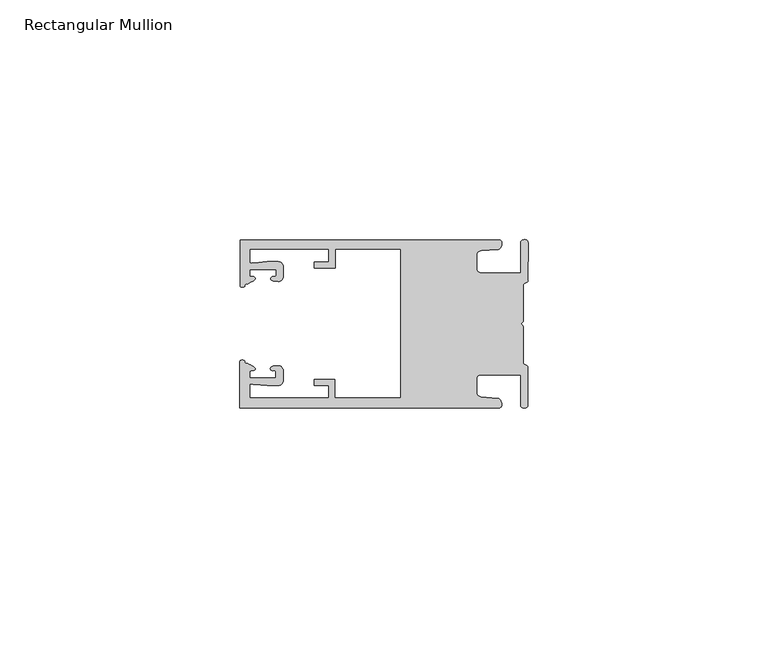
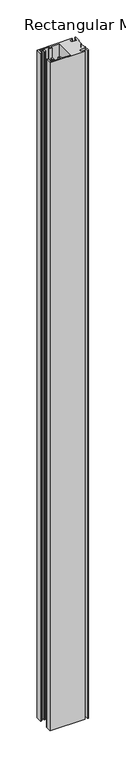
"""IFC4 building model written with IfcOpenShell, lengths in millimetres: member geometry, Rectangular Mullion."""

from ifc_helpers import new_model, si_unit, frame, origin, place, context, project, spatial, circle_curve, source, transform, mapped, element, save
from ifc_brep_helpers import plane_surface, cylinder_surface, extruded_surface, spline_curve, advanced_brep


def rectangular_mullion_0c829292(model_context):
    return source(origin(), model_context, "Body", "AdvancedBrep", [
        advanced_brep(
        [(-60.0749377, 17.5111528, 0.0), (-60.0749377, 8.0140787, 0.0), (-59.3252567, 7.7187455, 0.0), (-58.4967974, 8.36785, 0.0), (-58.0726619, 10.1173923, 0.0), (-58.0713101, 11.3673916, 0.0), (-52.5713133, 11.3614437, 0.0), (-52.5726651, 10.1114444, 0.0), (-53.1427626, 8.8955539, 0.0), (-52.0740172, 8.8609044, 0.0), (-51.0729364, 9.8598224, 0.0), (-51.0706653, 11.9598211, 0.0), (-52.0700692, 12.9609024, 0.0), (-54.3905105, 12.9622843, 0.0), (-57.1599646, 12.7230061, 0.0), (-58.0696339, 12.9173907, 0.0), (-58.066768, 15.5673891, 0.0), (-41.5667584, 15.5673891, 0.0), (-41.5695894, 12.9495468, 0.0), (-44.5695877, 12.9527912, 0.0), (-44.5709936, 11.6527919, 0.0), (-40.2709961, 11.6481417, 0.0), (-40.2667576, 15.5673891, 0.0), (-26.6002952, 15.5673891, 0.0), (-26.6002952, -15.4518424, 0.0), (-40.3003032, -15.4518424, 0.0), (-40.2960856, -11.5518447, 0.0), (-44.5960831, -11.5471945, 0.0), (-44.597489, -12.8471938, 0.0), (-41.5974907, -12.8504381, 0.0), (-41.6003025, -15.4504366, 0.0), (-58.1002928, -15.4325927, 0.0), (-58.097427, -12.7825943, 0.0), (-57.1873395, -12.5901776, 0.0), (-54.4184094, -12.8354453, 0.0), (-52.0979705, -12.8390822, 0.0), (-51.0964037, -11.8401649, 0.0), (-51.0941327, -9.7401662, 0.0), (-52.0930507, -8.7390853, 0.0), (-53.1618685, -8.7714231, 0.0), (-52.5944022, -9.9885439, 0.0), (-52.595754, -11.2385431, 0.0), (-58.0957508, -11.2325952, 0.0), (-58.094399, -9.9825959, 0.0), (-58.5147494, -8.2321403, 0.0), (-59.3418028, -7.5812455, 0.0), (-60.0921208, -7.8749565, 0.0), (-60.0921208, -17.4888267, 0.0), (-6.1024861, -17.4888267, 0.0), (-6.5218639, -15.488372, 0.0), (-9.8784944, -15.2205466, 0.0), (-10.7989567, -14.2226333, 0.0), (-10.7961029, -11.5837474, 0.0), (-9.8734844, -10.5878272, 0.0), (-1.5950266, -10.5934991, 0.0), (-1.601948, -16.9936935, 0.0), (-0.1017194, -16.7830581, 0.0), (-0.0933208, -9.0170082, 0.0), (-1.0923837, -8.1499018, 0.0), (-1.0842165, -0.5977972, 0.0), (-1.0829111, 0.6093089, 0.0), (-1.0747439, 8.1614135, 0.0), (-0.0738079, 9.026357, 0.0), (-0.0654093, 16.7924069, 0.0), (-1.5651789, 17.0062866, 0.0), (-1.5651789, 10.6183257, 0.0), (-9.8505511, 10.6183257, 0.0), (-10.7710133, 11.6162391, 0.0), (-10.7681595, 14.255125, 0.0), (-9.845541, 15.2510452, 0.0), (-6.4883391, 15.5116099, 0.0), (-6.0646356, 17.5111528, 0.0), (-60.0749377, 17.5111528, -1095.8940002), (-6.0646356, 17.5111528, -1095.8940002), (-6.4883391, 15.5116099, -1095.8940002), (-9.845541, 15.2510452, -1095.8940002), (-10.7681595, 14.255125, -1095.8940002), (-10.7710133, 11.6162391, -1095.8940002), (-9.8505511, 10.6183257, -1095.8940002), (-1.5651789, 10.6183257, -1095.8940002), (-1.5651789, 17.0062866, -1095.8940002), (-0.0654093, 16.7924069, -1095.8940002), (-0.0738079, 9.026357, -1095.8940002), (-1.0747439, 8.1614135, -1095.8940002), (-1.0829111, 0.6093089, -1095.8940002), (-1.0842165, -0.5977972, -1095.8940002), (-1.0923837, -8.1499018, -1095.8940002), (-0.0933208, -9.0170082, -1095.8940002), (-0.1017194, -16.7830581, -1095.8940002), (-1.601948, -16.9936935, -1095.8940002), (-1.5950266, -10.5934991, -1095.8940002), (-9.8734844, -10.5878272, -1095.8940002), (-10.7961029, -11.5837474, -1095.8940002), (-10.7989567, -14.2226333, -1095.8940002), (-9.8784944, -15.2205466, -1095.8940002), (-6.5218639, -15.488372, -1095.8940002), (-6.1024861, -17.4888267, -1095.8940002), (-60.0921208, -17.4888267, -1095.8940002), (-60.0921208, -7.8749565, -1095.8940002), (-59.3418028, -7.5812455, -1095.8940002), (-58.5147494, -8.2321403, -1095.8940002), (-58.094399, -9.9825959, -1095.8940002), (-58.0957508, -11.2325952, -1095.8940002), (-52.595754, -11.2385431, -1095.8940002), (-52.5944022, -9.9885439, -1095.8940002), (-53.1618685, -8.7714231, -1095.8940002), (-52.0930507, -8.7390853, -1095.8940002), (-51.0941327, -9.7401662, -1095.8940002), (-51.0964037, -11.8401649, -1095.8940002), (-52.0979705, -12.8390823, -1095.8940002), (-54.4184094, -12.8354453, -1095.8940002), (-57.1873395, -12.5901776, -1095.8940002), (-58.097427, -12.7825943, -1095.8940002), (-58.1002928, -15.4325927, -1095.8940002), (-41.6003025, -15.4504366, -1095.8940002), (-41.5974907, -12.8504381, -1095.8940002), (-44.597489, -12.8471938, -1095.8940002), (-44.5960831, -11.5471945, -1095.8940002), (-40.2960856, -11.5518447, -1095.8940002), (-40.3003032, -15.4518424, -1095.8940002), (-26.6002952, -15.4518424, -1095.8940002), (-26.6002952, 15.5673891, -1095.8940002), (-40.2667576, 15.5673891, -1095.8940002), (-40.2709961, 11.6481417, -1095.8940002), (-44.5709936, 11.6527919, -1095.8940002), (-44.5695877, 12.9527912, -1095.8940002), (-41.5695894, 12.9495468, -1095.8940002), (-41.5667584, 15.5673891, -1095.8940002), (-58.066768, 15.5673891, -1095.8940002), (-58.0696339, 12.9173907, -1095.8940002), (-57.1599646, 12.7230061, -1095.8940002), (-54.3905105, 12.9622843, -1095.8940002), (-52.0700692, 12.9609023, -1095.8940002), (-51.0706653, 11.9598211, -1095.8940002), (-51.0729364, 9.8598224, -1095.8940002), (-52.0740172, 8.8609044, -1095.8940002), (-53.1427626, 8.8955539, -1095.8940002), (-52.5726651, 10.1114444, -1095.8940002), (-52.5713133, 11.3614437, -1095.8940002), (-58.0713101, 11.3673916, -1095.8940002), (-58.0726619, 10.1173923, -1095.8940002), (-58.4967974, 8.36785, -1095.8940002), (-59.3252567, 7.7187455, -1095.8940002), (-60.0749377, 8.0140787, -1095.8940002)],
        [
            (0, 1),
            (1, 2, spline_curve(3, [(-60.0749377, 8.0140787, 0.0), (-60.075233123, 7.740904774, 0.0), (-59.825339491, 7.642460332, 0.0), (-59.3252567, 7.7187455, 0.0)], [4, 4], [0.0, 0.0019169337574178654])),
            (2, 3, spline_curve(3, [(-59.3252567, 7.7187455, 0.0), (-59.094460914, 7.75918372, 0.0), (-59.054835463, 7.902257199, 0.0), (-59.05559987, 8.233305614, 0.0), (-59.138729113, 8.4134359, 0.0), (-58.4967974, 8.36785, 0.0)], [4, 2, 4], [0.0, 0.0010199524164107188, 0.0024874514725970356])),
            (3, 4, spline_curve(3, [(-58.4967974, 8.36785, 0.0), (-57.022393378, 9.053435667, 0.0), (-56.827266887, 9.364828726, 0.0), (-56.982213078, 9.742623404, 0.0), (-57.177375211, 9.855581791, 0.0), (-57.697928101, 9.887955071, 0.0), (-57.997449153, 9.835475348, 0.0), (-58.0726619, 10.1173923, 0.0)], [4, 2, 2, 4], [0.0, 0.003269869179570428, 0.005490050486237203, 0.0073545767114364426])),
            (4, 5),
            (5, 6),
            (6, 7),
            (7, 8, spline_curve(3, [(-52.5726651, 10.1114444, 0.0), (-52.667195519, 9.760172042, 0.0), (-52.937094388, 9.861877724, 0.0), (-53.356237032, 9.895631753, 0.0), (-53.491940439, 9.811038713, 0.0), (-53.761900775, 9.511438033, 0.0), (-53.892893546, 9.278787104, 0.0), (-53.1427626, 8.8955539, 0.0)], [4, 2, 2, 4], [0.0, 0.001593963049934732, 0.0033360256320283306, 0.005339140673503943])),
            (8, 9),
            (9, 10, circle_curve(frame((-52.0729358, 9.8609038, 0.0), z_axis=(0.0, 0.0, 1.0), x_axis=(-0.0010814451158600304, -0.9999994152380598, 0.0)), 1.0)),
            (10, 11),
            (11, 12, circle_curve(frame((-52.0706647, 11.9609026, 0.0), z_axis=(0.0, 0.0, 1.0), x_axis=(-0.0010814451158600304, -0.9999994152380598, 0.0)), 1.0)),
            (12, 13),
            (13, 14),
            (14, 15, spline_curve(3, [(-57.1599646, 12.7230061, 0.0), (-57.631533854, 12.682262968, 0.0), (-58.018602985, 12.477800124, 0.0), (-58.0696339, 12.9173907, 0.0)], [4, 4], [0.0, 0.0014803385355886016])),
            (15, 16),
            (16, 17),
            (17, 18),
            (18, 19),
            (19, 20),
            (20, 21),
            (21, 22),
            (22, 23),
            (23, 24),
            (24, 25),
            (25, 26),
            (26, 27),
            (27, 28),
            (28, 29),
            (29, 30),
            (30, 31),
            (31, 32),
            (32, 33, spline_curve(3, [(-58.097427, -12.7825943, 0.0), (-58.045445419, -12.343115126, 0.0), (-57.658819528, -12.548414611, 0.0), (-57.1873395, -12.5901776, 0.0)], [4, 4], [0.0, 0.0014803385355886016])),
            (33, 34),
            (34, 35),
            (35, 36, circle_curve(frame((-52.0964031, -11.8390835, 0.0), z_axis=(0.0, 0.0, 1.0), x_axis=(0.0010814451158600304, 0.9999994152380598, 0.0)), 1.0)),
            (36, 37),
            (37, 38, circle_curve(frame((-52.0941321, -9.7390847, 0.0), z_axis=(0.0, 0.0, 1.0), x_axis=(0.0010814451158600304, 0.9999994152380598, 0.0)), 1.0)),
            (38, 39),
            (39, 40, spline_curve(3, [(-53.1618685, -8.7714231, 0.0), (-53.912826582, -9.153032958, 0.0), (-53.782337352, -9.385966711, 0.0), (-53.51302565, -9.686150585, 0.0), (-53.377505444, -9.771037009, 0.0), (-52.958290774, -9.738189618, 0.0), (-52.688172635, -9.637067904, 0.0), (-52.5944022, -9.9885439, 0.0)], [4, 2, 2, 4], [0.0, 0.002003115041475612, 0.0037451776235692107, 0.005339140673503943])),
            (40, 41),
            (41, 42),
            (42, 43),
            (43, 44, spline_curve(3, [(-58.094399, -9.9825959, 0.0), (-58.018576674, -9.700842284, 0.0), (-57.719169706, -9.753969703, 0.0), (-57.198548014, -9.722722397, 0.0), (-57.003142178, -9.61018632, 0.0), (-56.847379222, -9.232727657, 0.0), (-57.041831673, -8.920913336, 0.0), (-58.5147494, -8.2321403, 0.0)], [4, 2, 2, 4], [0.0, 0.0018645262251992395, 0.004084707531866015, 0.0073545767114364426])),
            (44, 45, spline_curve(3, [(-58.5147494, -8.2321403, 0.0), (-59.156778208, -8.276337666, 0.0), (-59.073259494, -8.096387681, 0.0), (-59.071779067, -7.765341694, 0.0), (-59.111095017, -7.622182811, 0.0), (-59.3418028, -7.5812455, 0.0)], [4, 2, 4], [0.0, 0.0014674990561863168, 0.0024874514725970356])),
            (45, 46, spline_curve(3, [(-59.3418028, -7.5812455, 0.0), (-59.841719425, -7.503878887, 0.0), (-60.091825377, -7.601782574, 0.0), (-60.0921208, -7.8749565, 0.0)], [4, 4], [0.0, 0.0019169337574178654])),
            (46, 47),
            (47, 48),
            (48, 49, spline_curve(3, [(-6.1024861, -17.4888267, 0.0), (-5.074532184, -17.418062188, 0.0), (-5.631140689, -15.411414367, 0.0), (-6.5218639, -15.488372, 0.0)], [4, 4], [0.0, 0.0043819361547461745])),
            (49, 50),
            (50, 51, spline_curve(3, [(-9.8784944, -15.2205466, 0.0), (-10.440691543, -15.150698463, 0.0), (-10.74751234, -14.818060727, 0.0), (-10.7989567, -14.2226333, 0.0)], [4, 4], [0.0, 0.0028645797420738927])),
            (51, 52),
            (52, 53, spline_curve(3, [(-10.7961029, -11.5837474, 0.0), (-10.743370817, -10.988432634, 0.0), (-10.435831301, -10.656459204, 0.0), (-9.8734844, -10.5878272, 0.0)], [4, 4], [0.0, 0.0028645797420738927])),
            (53, 54),
            (54, 55),
            (55, 56, spline_curve(3, [(-1.601948, -16.9936935, 0.0), (-1.655676874, -17.600261454, 0.0), (-0.043737403, -17.912795581, 0.0), (-0.1017194, -16.7830581, 0.0)], [4, 4], [0.0, 0.0036987374396357936])),
            (56, 57),
            (57, 58, spline_curve(3, [(-0.0933208, -9.0170082, 0.0), (-0.018818183, -8.695886697, 0.0), (-1.193434327, -8.459763043, 0.0), (-1.0923837, -8.1499018, 0.0)], [4, 4], [0.0, 0.002027216749630121])),
            (58, 59),
            (59, 60, spline_curve(3, [(-1.0842165, -0.5977972, 0.0), (-1.013223198, -0.445980437, 0.0), (-1.487945123, -0.206736825, 0.0), (-1.487409651, 0.231097965, 0.0), (-0.999110985, 0.429090391, 0.0), (-1.0829111, 0.6093089, 0.0)], [4, 2, 4], [0.0, 0.00249866671847065, 0.005031402919736269])),
            (60, 61),
            (61, 62, spline_curve(3, [(-1.0747439, 8.1614135, 0.0), (-1.175124095, 8.47149258, 0.0), (-7e-09, 8.705075107, 0.0), (-0.0738079, 9.026357, 0.0)], [4, 4], [0.0, 0.002027216749630121])),
            (62, 63),
            (63, 64, spline_curve(3, [(-0.0654093, 16.7924069, 0.0), (-0.004983942, 17.92201633, 0.0), (-1.617595709, 17.612969344, 0.0), (-1.5651789, 17.0062866, 0.0)], [4, 4], [0.0, 0.0036987374396357936])),
            (64, 65),
            (65, 66),
            (66, 67, spline_curve(3, [(-9.8505511, 10.6183257, 0.0), (-10.412748243, 10.688173837, 0.0), (-10.71956894, 11.020811673, 0.0), (-10.7710133, 11.6162391, 0.0)], [4, 4], [0.0, 0.0028645797420738927])),
            (67, 68),
            (68, 69, spline_curve(3, [(-10.7681595, 14.255125, 0.0), (-10.715427417, 14.850439766, 0.0), (-10.407887901, 15.182413196, 0.0), (-9.845541, 15.2510452, 0.0)], [4, 4], [0.0, 0.0028645797420738927])),
            (69, 70),
            (70, 71, spline_curve(3, [(-6.4883391, 15.5116099, 0.0), (-5.597784423, 15.432725911, 0.0), (-5.036837144, 17.438165103, 0.0), (-6.0646356, 17.5111528, 0.0)], [4, 4], [0.0, 0.0043819361547461745])),
            (71, 0),
            (72, 73),
            (73, 74, spline_curve(3, [(-6.0646356, 17.5111528, -1095.8940002), (-5.036837144, 17.438165103, -1095.8940002), (-5.597784423, 15.432725911, -1095.8940002), (-6.4883391, 15.5116099, -1095.8940002)], [4, 4], [0.0, 0.0043819361547461745])),
            (74, 75),
            (75, 76, spline_curve(3, [(-9.845541, 15.2510452, -1095.8940002), (-10.407887901, 15.182413196, -1095.8940002), (-10.715427417, 14.850439766, -1095.8940002), (-10.7681595, 14.255125, -1095.8940002)], [4, 4], [0.0, 0.0028645797420738927])),
            (76, 77),
            (77, 78, spline_curve(3, [(-10.7710133, 11.6162391, -1095.8940002), (-10.71956894, 11.020811673, -1095.8940002), (-10.412748243, 10.688173837, -1095.8940002), (-9.8505511, 10.6183257, -1095.8940002)], [4, 4], [0.0, 0.0028645797420738927])),
            (78, 79),
            (79, 80),
            (80, 81, spline_curve(3, [(-1.5651789, 17.0062866, -1095.8940002), (-1.617595709, 17.612969344, -1095.8940002), (-0.004983942, 17.92201633, -1095.8940002), (-0.0654093, 16.7924069, -1095.8940002)], [4, 4], [0.0, 0.0036987374396357936])),
            (81, 82),
            (82, 83, spline_curve(3, [(-0.0738079, 9.026357, -1095.8940002), (-7e-09, 8.705075107, -1095.8940002), (-1.175124095, 8.47149258, -1095.8940002), (-1.0747439, 8.1614135, -1095.8940002)], [4, 4], [0.0, 0.002027216749630121])),
            (83, 84),
            (84, 85, spline_curve(3, [(-1.0829111, 0.6093089, -1095.8940002), (-0.999110985, 0.429090391, -1095.8940002), (-1.487409651, 0.231097965, -1095.8940002), (-1.487945123, -0.206736825, -1095.8940002), (-1.013223198, -0.445980437, -1095.8940002), (-1.0842165, -0.5977972, -1095.8940002)], [4, 2, 4], [0.0, 0.002532736201265619, 0.005031402919736269])),
            (85, 86),
            (86, 87, spline_curve(3, [(-1.0923837, -8.1499018, -1095.8940002), (-1.193434327, -8.459763043, -1095.8940002), (-0.018818183, -8.695886697, -1095.8940002), (-0.0933208, -9.0170082, -1095.8940002)], [4, 4], [0.0, 0.002027216749630121])),
            (87, 88),
            (88, 89, spline_curve(3, [(-0.1017194, -16.7830581, -1095.8940002), (-0.043737403, -17.912795581, -1095.8940002), (-1.655676874, -17.600261454, -1095.8940002), (-1.601948, -16.9936935, -1095.8940002)], [4, 4], [0.0, 0.0036987374396357936])),
            (89, 90),
            (90, 91),
            (91, 92, spline_curve(3, [(-9.8734844, -10.5878272, -1095.8940002), (-10.435831301, -10.656459204, -1095.8940002), (-10.743370817, -10.988432634, -1095.8940002), (-10.7961029, -11.5837474, -1095.8940002)], [4, 4], [0.0, 0.0028645797420738927])),
            (92, 93),
            (93, 94, spline_curve(3, [(-10.7989567, -14.2226333, -1095.8940002), (-10.74751234, -14.818060727, -1095.8940002), (-10.440691543, -15.150698463, -1095.8940002), (-9.8784944, -15.2205466, -1095.8940002)], [4, 4], [0.0, 0.0028645797420738927])),
            (94, 95),
            (95, 96, spline_curve(3, [(-6.5218639, -15.488372, -1095.8940002), (-5.631140689, -15.411414367, -1095.8940002), (-5.074532184, -17.418062188, -1095.8940002), (-6.1024861, -17.4888267, -1095.8940002)], [4, 4], [0.0, 0.0043819361547461745])),
            (96, 97),
            (97, 98),
            (98, 99, spline_curve(3, [(-60.0921208, -7.8749565, -1095.8940002), (-60.091825377, -7.601782574, -1095.8940002), (-59.841719425, -7.503878887, -1095.8940002), (-59.3418028, -7.5812455, -1095.8940002)], [4, 4], [0.0, 0.0019169337574178654])),
            (99, 100, spline_curve(3, [(-59.3418028, -7.5812455, -1095.8940002), (-59.111095017, -7.622182811, -1095.8940002), (-59.071779067, -7.765341694, -1095.8940002), (-59.073259494, -8.096387681, -1095.8940002), (-59.156778208, -8.276337666, -1095.8940002), (-58.5147494, -8.2321403, -1095.8940002)], [4, 2, 4], [0.0, 0.0010199524164107188, 0.0024874514725970356])),
            (100, 101, spline_curve(3, [(-58.5147494, -8.2321403, -1095.8940002), (-57.041831673, -8.920913336, -1095.8940002), (-56.847379222, -9.232727657, -1095.8940002), (-57.003142178, -9.61018632, -1095.8940002), (-57.198548014, -9.722722397, -1095.8940002), (-57.719169706, -9.753969703, -1095.8940002), (-58.018576674, -9.700842284, -1095.8940002), (-58.094399, -9.9825959, -1095.8940002)], [4, 2, 2, 4], [0.0, 0.003269869179570428, 0.005490050486237203, 0.0073545767114364426])),
            (101, 102),
            (102, 103),
            (103, 104),
            (104, 105, spline_curve(3, [(-52.5944022, -9.9885439, -1095.8940002), (-52.688172635, -9.637067904, -1095.8940002), (-52.958290774, -9.738189618, -1095.8940002), (-53.377505444, -9.771037009, -1095.8940002), (-53.51302565, -9.686150585, -1095.8940002), (-53.782337352, -9.385966711, -1095.8940002), (-53.912826582, -9.153032958, -1095.8940002), (-53.1618685, -8.7714231, -1095.8940002)], [4, 2, 2, 4], [0.0, 0.001593963049934732, 0.0033360256320283306, 0.005339140673503943])),
            (105, 106),
            (106, 107, circle_curve(frame((-52.0941321, -9.7390847, -1095.8940002), z_axis=(0.0, 0.0, -1.0), x_axis=(0.0010814451158600304, 0.9999994152380598, 0.0)), 1.0)),
            (107, 108),
            (108, 109, circle_curve(frame((-52.0964031, -11.8390835, -1095.8940002), z_axis=(0.0, 0.0, -1.0), x_axis=(0.0010814451158600304, 0.9999994152380598, 0.0)), 1.0)),
            (109, 110),
            (110, 111),
            (111, 112, spline_curve(3, [(-57.1873395, -12.5901776, -1095.8940002), (-57.658819528, -12.548414611, -1095.8940002), (-58.045445419, -12.343115126, -1095.8940002), (-58.097427, -12.7825943, -1095.8940002)], [4, 4], [0.0, 0.0014803385355886016])),
            (112, 113),
            (113, 114),
            (114, 115),
            (115, 116),
            (116, 117),
            (117, 118),
            (118, 119),
            (119, 120),
            (120, 121),
            (121, 122),
            (122, 123),
            (123, 124),
            (124, 125),
            (125, 126),
            (126, 127),
            (127, 128),
            (128, 129),
            (129, 130, spline_curve(3, [(-58.0696339, 12.9173907, -1095.8940002), (-58.018602985, 12.477800124, -1095.8940002), (-57.631533854, 12.682262968, -1095.8940002), (-57.1599646, 12.7230061, -1095.8940002)], [4, 4], [0.0, 0.0014803385355886016])),
            (130, 131),
            (131, 132),
            (132, 133, circle_curve(frame((-52.0706647, 11.9609026, -1095.8940002), z_axis=(0.0, 0.0, -1.0), x_axis=(-0.0010814451158600304, -0.9999994152380598, 0.0)), 1.0)),
            (133, 134),
            (134, 135, circle_curve(frame((-52.0729358, 9.8609038, -1095.8940002), z_axis=(0.0, 0.0, -1.0), x_axis=(-0.0010814451158600304, -0.9999994152380598, 0.0)), 1.0)),
            (135, 136),
            (136, 137, spline_curve(3, [(-53.1427626, 8.8955539, -1095.8940002), (-53.892893546, 9.278787104, -1095.8940002), (-53.761900775, 9.511438033, -1095.8940002), (-53.491940439, 9.811038713, -1095.8940002), (-53.356237032, 9.895631753, -1095.8940002), (-52.937094388, 9.861877724, -1095.8940002), (-52.667195519, 9.760172042, -1095.8940002), (-52.5726651, 10.1114444, -1095.8940002)], [4, 2, 2, 4], [0.0, 0.002003115041475612, 0.0037451776235692107, 0.005339140673503943])),
            (137, 138),
            (138, 139),
            (139, 140),
            (140, 141, spline_curve(3, [(-58.0726619, 10.1173923, -1095.8940002), (-57.997449153, 9.835475348, -1095.8940002), (-57.697928101, 9.887955071, -1095.8940002), (-57.177375211, 9.855581791, -1095.8940002), (-56.982213078, 9.742623404, -1095.8940002), (-56.827266887, 9.364828726, -1095.8940002), (-57.022393378, 9.053435667, -1095.8940002), (-58.4967974, 8.36785, -1095.8940002)], [4, 2, 2, 4], [0.0, 0.0018645262251992395, 0.004084707531866015, 0.0073545767114364426])),
            (141, 142, spline_curve(3, [(-58.4967974, 8.36785, -1095.8940002), (-59.138729113, 8.4134359, -1095.8940002), (-59.05559987, 8.233305614, -1095.8940002), (-59.054835463, 7.902257199, -1095.8940002), (-59.094460914, 7.75918372, -1095.8940002), (-59.3252567, 7.7187455, -1095.8940002)], [4, 2, 4], [0.0, 0.0014674990561863168, 0.0024874514725970356])),
            (142, 143, spline_curve(3, [(-59.3252567, 7.7187455, -1095.8940002), (-59.825339491, 7.642460332, -1095.8940002), (-60.075233123, 7.740904774, -1095.8940002), (-60.0749377, 8.0140787, -1095.8940002)], [4, 4], [0.0, 0.0019169337574178654])),
            (143, 72),
            (0, 72),
            (143, 1),
            (142, 2),
            (141, 3),
            (140, 4),
            (139, 5),
            (138, 6),
            (137, 7),
            (136, 8),
            (135, 9),
            (134, 10),
            (133, 11),
            (132, 12),
            (131, 13),
            (130, 14),
            (129, 15),
            (128, 16),
            (127, 17),
            (126, 18),
            (125, 19),
            (124, 20),
            (123, 21),
            (122, 22),
            (121, 23),
            (120, 24),
            (119, 25),
            (118, 26),
            (117, 27),
            (116, 28),
            (115, 29),
            (114, 30),
            (113, 31),
            (112, 32),
            (111, 33),
            (110, 34),
            (109, 35),
            (108, 36),
            (107, 37),
            (106, 38),
            (105, 39),
            (104, 40),
            (103, 41),
            (102, 42),
            (101, 43),
            (100, 44),
            (99, 45),
            (98, 46),
            (97, 47),
            (96, 48),
            (95, 49),
            (94, 50),
            (93, 51),
            (92, 52),
            (91, 53),
            (90, 54),
            (89, 55),
            (88, 56),
            (87, 57),
            (86, 58),
            (85, 59),
            (84, 60),
            (83, 61),
            (82, 62),
            (81, 63),
            (80, 64),
            (79, 65),
            (78, 66),
            (77, 67),
            (76, 68),
            (75, 69),
            (74, 70),
            (73, 71),
        ],
        [
            plane_surface(frame((0.0, -62.5853181, 0.0), z_axis=(0.0, 0.0, 1.0), x_axis=(-1.0, 0.0, 0.0))),
            plane_surface(frame((0.0, -62.5853181, -1095.8940002), z_axis=(0.0, 0.0, -1.0), x_axis=(-1.0, 0.0, 0.0))),
            plane_surface(frame((-60.0749377, 17.5111528, 0.0), z_axis=(-1.0, 0.0, 0.0), x_axis=(0.0, 0.0, -1.0))),
            extruded_surface(spline_curve(3, [(-60.0749377, 8.0140787, -1095.8940002), (-60.075233123, 7.740904774, -1095.8940002), (-59.825339491, 7.642460332, -1095.8940002), (-59.3252567, 7.7187455, -1095.8940002)], [4, 4], [0.0, 0.0019169337574178654]), (0.0, 0.0, 1095.8940002), 1095.8940002),
            extruded_surface(spline_curve(3, [(-59.3252567, 7.7187455, -1095.8940002), (-59.094460914, 7.75918372, -1095.8940002), (-59.054835463, 7.902257199, -1095.8940002), (-59.05559987, 8.233305614, -1095.8940002), (-59.138729113, 8.4134359, -1095.8940002), (-58.4967974, 8.36785, -1095.8940002)], [4, 2, 4], [0.0, 0.0010199524164107188, 0.0024874514725970356]), (0.0, 0.0, 1095.8940002), 1095.8940002),
            extruded_surface(spline_curve(3, [(-58.4967974, 8.36785, -1095.8940002), (-57.022393378, 9.053435667, -1095.8940002), (-56.827266887, 9.364828726, -1095.8940002), (-56.982213078, 9.742623404, -1095.8940002), (-57.177375211, 9.855581791, -1095.8940002), (-57.697928101, 9.887955071, -1095.8940002), (-57.997449153, 9.835475348, -1095.8940002), (-58.0726619, 10.1173923, -1095.8940002)], [4, 2, 2, 4], [0.0, 0.003269869179570428, 0.005490050486237203, 0.0073545767114364426]), (0.0, 0.0, 1095.8940002), 1095.8940002),
            plane_surface(frame((-58.0726619, 10.1173923, 0.0), z_axis=(0.9999994152380598, -0.0010814451158634145, 0.0), x_axis=(0.0, 0.0, -1.0))),
            plane_surface(frame((-58.0713101, 11.3673916, 0.0), z_axis=(-0.0010814451158616418, -0.9999994152380598, 0.0), x_axis=(0.0, 0.0, -1.0))),
            plane_surface(frame((-52.5713133, 11.3614437, 0.0), z_axis=(-0.9999994152380598, 0.0010814451158643293, 0.0), x_axis=(0.0, 0.0, -1.0))),
            extruded_surface(spline_curve(3, [(-52.5726651, 10.1114444, -1095.8940002), (-52.667195519, 9.760172042, -1095.8940002), (-52.937094388, 9.861877724, -1095.8940002), (-53.356237032, 9.895631753, -1095.8940002), (-53.491940439, 9.811038713, -1095.8940002), (-53.761900775, 9.511438033, -1095.8940002), (-53.892893546, 9.278787104, -1095.8940002), (-53.1427626, 8.8955539, -1095.8940002)], [4, 2, 2, 4], [0.0, 0.001593963049934732, 0.0033360256320283306, 0.005339140673503943]), (0.0, 0.0, 1095.8940002), 1095.8940002),
            plane_surface(frame((-53.1427626, 8.8955539, 0.0), z_axis=(-0.032403661401520414, -0.9994748634797054, 0.0), x_axis=(0.0, 0.0, -1.0))),
            cylinder_surface(frame((-52.0729358, 9.8609038, 0.0), z_axis=(0.0, 0.0, 1.0000000000000002), x_axis=(-0.0010814451158600304, -0.9999994152380598, 0.0)), 1.0),
            plane_surface(frame((-51.0729364, 9.8598224, 0.0), z_axis=(0.9999994152380598, -0.001081445115864059, 0.0), x_axis=(0.0, 0.0, -1.0))),
            cylinder_surface(frame((-52.0706647, 11.9609026, 0.0), z_axis=(0.0, 0.0, 1.0000000000000002), x_axis=(-0.0010814451158600304, -0.9999994152380598, 0.0)), 1.0),
            plane_surface(frame((-52.0700692, 12.9609023, 0.0), z_axis=(0.0005955716436318007, 0.999999822647193, 0.0), x_axis=(0.0, 0.0, -1.0))),
            plane_surface(frame((-54.3905105, 12.9622843, 0.0), z_axis=(-0.08607836189159865, 0.9962883697073147, 0.0), x_axis=(0.0, 0.0, -1.0))),
            extruded_surface(spline_curve(3, [(-57.1599646, 12.7230061, -1095.8940002), (-57.631533854, 12.682262968, -1095.8940002), (-58.018602985, 12.477800124, -1095.8940002), (-58.0696339, 12.9173907, -1095.8940002)], [4, 4], [0.0, 0.0014803385355886016]), (0.0, 0.0, 1095.8940002), 1095.8940002),
            plane_surface(frame((-58.0696339, 12.9173907, 0.0), z_axis=(0.9999994152380598, -0.0010814451158629996, 0.0), x_axis=(0.0, 0.0, -1.0))),
            plane_surface(frame((-58.066768, 15.5673891, 0.0), z_axis=(0.0, -1.0, 0.0), x_axis=(0.0, 0.0, -1.0))),
            plane_surface(frame((-41.5667584, 15.5673891, 0.0), z_axis=(-0.9999994152380598, 0.0010814451158636304, 0.0), x_axis=(0.0, 0.0, -1.0))),
            plane_surface(frame((-41.5695894, 12.9495468, 0.0), z_axis=(0.0010814451158615687, 0.9999994152380598, 0.0), x_axis=(0.0, 0.0, -1.0))),
            plane_surface(frame((-44.5695877, 12.9527912, 0.0), z_axis=(-0.9999994152380598, 0.0010814451158626742, 0.0), x_axis=(0.0, 0.0, -1.0))),
            plane_surface(frame((-44.5709936, 11.6527919, 0.0), z_axis=(-0.001081445115861604, -0.9999994152380598, 0.0), x_axis=(0.0, 0.0, -1.0))),
            plane_surface(frame((-40.2709961, 11.6481417, 0.0), z_axis=(0.9999994152380598, -0.001081445115863507, 0.0), x_axis=(0.0, 0.0, -1.0))),
            plane_surface(frame((-40.2667576, 15.5673891, 0.0), z_axis=(0.0, -1.0, 0.0), x_axis=(0.0, 0.0, -1.0))),
            plane_surface(frame((-26.6002952, 15.5673891, 0.0), z_axis=(-1.0, 0.0, 0.0), x_axis=(0.0, 0.0, -1.0))),
            plane_surface(frame((-26.6002952, -15.4518424, 0.0), z_axis=(0.0, 1.0, 0.0), x_axis=(0.0, 0.0, -1.0))),
            plane_surface(frame((-40.3003032, -15.4518424, 0.0), z_axis=(0.9999994152380598, -0.0010814451158565538, 0.0), x_axis=(0.0, 0.0, -1.0))),
            plane_surface(frame((-40.2960856, -11.5518447, 0.0), z_axis=(0.0010814451158584568, 0.9999994152380598, 0.0), x_axis=(0.0, 0.0, -1.0))),
            plane_surface(frame((-44.5960831, -11.5471945, 0.0), z_axis=(-0.9999994152380598, 0.0010814451158573867, 0.0), x_axis=(0.0, 0.0, -1.0))),
            plane_surface(frame((-44.597489, -12.8471938, 0.0), z_axis=(-0.0010814451158584922, -0.9999994152380598, 0.0), x_axis=(0.0, 0.0, -1.0))),
            plane_surface(frame((-41.5974907, -12.8504381, 0.0), z_axis=(-0.9999994152380598, 0.0010814451158564305, 0.0), x_axis=(0.0, 0.0, -1.0))),
            plane_surface(frame((-41.6003025, -15.4504366, 0.0), z_axis=(0.0010814451158583872, 0.9999994152380598, 0.0), x_axis=(0.0, 0.0, -1.0))),
            plane_surface(frame((-58.1002928, -15.4325927, 0.0), z_axis=(0.9999994152380598, -0.0010814451158570612, 0.0), x_axis=(0.0, 0.0, -1.0))),
            extruded_surface(spline_curve(3, [(-58.097427, -12.7825943, -1095.8940002), (-58.045445419, -12.343115126, -1095.8940002), (-57.658819528, -12.548414611, -1095.8940002), (-57.1873395, -12.5901776, -1095.8940002)], [4, 4], [0.0, 0.0014803385355886016]), (0.0, 0.0, 1095.8940002), 1095.8940002),
            plane_surface(frame((-57.1873395, -12.5901776, 0.0), z_axis=(-0.0882330216729926, -0.9960998614026876, 0.0), x_axis=(0.0, 0.0, -1.0))),
            plane_surface(frame((-54.4184094, -12.8354453, 0.0), z_axis=(-0.0015673183327880543, -0.9999987717558677, 0.0), x_axis=(0.0, 0.0, -1.0))),
            cylinder_surface(frame((-52.0964031, -11.8390835, 0.0), z_axis=(0.0, 0.0, 1.0000000000000002), x_axis=(0.0010814451158600304, 0.9999994152380598, 0.0)), 1.0),
            plane_surface(frame((-51.0964037, -11.8401649, 0.0), z_axis=(0.9999994152380598, -0.001081445115856002, 0.0), x_axis=(0.0, 0.0, -1.0))),
            cylinder_surface(frame((-52.0941321, -9.7390847, 0.0), z_axis=(0.0, 0.0, 1.0000000000000002), x_axis=(0.0010814451158600304, 0.9999994152380598, 0.0)), 1.0),
            plane_surface(frame((-52.0930507, -8.7390853, 0.0), z_axis=(-0.030241832452872642, 0.9995426111826812, 0.0), x_axis=(0.0, 0.0, -1.0))),
            extruded_surface(spline_curve(3, [(-53.1618685, -8.7714231, -1095.8940002), (-53.912826582, -9.153032958, -1095.8940002), (-53.782337352, -9.385966711, -1095.8940002), (-53.51302565, -9.686150585, -1095.8940002), (-53.377505444, -9.771037009, -1095.8940002), (-52.958290774, -9.738189618, -1095.8940002), (-52.688172635, -9.637067904, -1095.8940002), (-52.5944022, -9.9885439, -1095.8940002)], [4, 2, 2, 4], [0.0, 0.002003115041475612, 0.0037451776235692107, 0.005339140673503943]), (0.0, 0.0, 1095.8940002), 1095.8940002),
            plane_surface(frame((-52.5944022, -9.9885439, 0.0), z_axis=(-0.9999994152380598, 0.0010814451158557316, 0.0), x_axis=(0.0, 0.0, -1.0))),
            plane_surface(frame((-52.595754, -11.2385431, 0.0), z_axis=(0.001081445115858419, 0.9999994152380598, 0.0), x_axis=(0.0, 0.0, -1.0))),
            plane_surface(frame((-58.0957508, -11.2325952, 0.0), z_axis=(0.9999994152380598, -0.0010814451158566464, 0.0), x_axis=(0.0, 0.0, -1.0))),
            extruded_surface(spline_curve(3, [(-58.094399, -9.9825959, -1095.8940002), (-58.018576674, -9.700842284, -1095.8940002), (-57.719169706, -9.753969703, -1095.8940002), (-57.198548014, -9.722722397, -1095.8940002), (-57.003142178, -9.61018632, -1095.8940002), (-56.847379222, -9.232727657, -1095.8940002), (-57.041831673, -8.920913336, -1095.8940002), (-58.5147494, -8.2321403, -1095.8940002)], [4, 2, 2, 4], [0.0, 0.0018645262251992395, 0.004084707531866015, 0.0073545767114364426]), (0.0, 0.0, 1095.8940002), 1095.8940002),
            extruded_surface(spline_curve(3, [(-58.5147494, -8.2321403, -1095.8940002), (-59.156778208, -8.276337666, -1095.8940002), (-59.073259494, -8.096387681, -1095.8940002), (-59.071779067, -7.765341694, -1095.8940002), (-59.111095017, -7.622182811, -1095.8940002), (-59.3418028, -7.5812455, -1095.8940002)], [4, 2, 4], [0.0, 0.0014674990561863168, 0.0024874514725970356]), (0.0, 0.0, 1095.8940002), 1095.8940002),
            extruded_surface(spline_curve(3, [(-59.3418028, -7.5812455, -1095.8940002), (-59.841719425, -7.503878887, -1095.8940002), (-60.091825377, -7.601782574, -1095.8940002), (-60.0921208, -7.8749565, -1095.8940002)], [4, 4], [0.0, 0.0019169337574178654]), (0.0, 0.0, 1095.8940002), 1095.8940002),
            plane_surface(frame((-60.0921208, -7.8749565, 0.0), z_axis=(-1.0, 0.0, 0.0), x_axis=(0.0, 0.0, -1.0))),
            plane_surface(frame((-60.0921208, -17.4888267, 0.0), z_axis=(0.0, -1.0, 0.0), x_axis=(0.0, 0.0, -1.0))),
            extruded_surface(spline_curve(3, [(-6.1024861, -17.4888267, -1095.8940002), (-5.074532184, -17.418062188, -1095.8940002), (-5.631140689, -15.411414367, -1095.8940002), (-6.5218639, -15.488372, -1095.8940002)], [4, 4], [0.0, 0.0043819361547461745]), (0.0, 0.0, 1095.8940002), 1095.8940002),
            plane_surface(frame((-6.5218639, -15.488372, 0.0), z_axis=(0.07953716124904908, 0.9968319015663789, 0.0), x_axis=(0.0, 0.0, -1.0))),
            extruded_surface(spline_curve(3, [(-9.8784944, -15.2205466, -1095.8940002), (-10.440691543, -15.150698463, -1095.8940002), (-10.74751234, -14.818060727, -1095.8940002), (-10.7989567, -14.2226333, -1095.8940002)], [4, 4], [0.0, 0.0028645797420738927]), (0.0, 0.0, 1095.8940002), 1095.8940002),
            plane_surface(frame((-10.7989567, -14.2226333, 0.0), z_axis=(0.9999994152380598, -0.0010814451158568247, 0.0), x_axis=(0.0, 0.0, -1.0))),
            extruded_surface(spline_curve(3, [(-10.7961029, -11.5837474, -1095.8940002), (-10.743370817, -10.988432634, -1095.8940002), (-10.435831301, -10.656459204, -1095.8940002), (-9.8734844, -10.5878272, -1095.8940002)], [4, 4], [0.0, 0.0028645797420738927]), (0.0, 0.0, 1095.8940002), 1095.8940002),
            plane_surface(frame((-9.8734844, -10.5878272, 0.0), z_axis=(-0.0006851371995361226, -0.9999997652934814, 0.0), x_axis=(0.0, 0.0, -1.0))),
            plane_surface(frame((-1.5950266, -10.5934991, 0.0), z_axis=(-0.9999994152380598, 0.0010814451158568644, 0.0), x_axis=(0.0, 0.0, -1.0))),
            extruded_surface(spline_curve(3, [(-1.601948, -16.9936935, -1095.8940002), (-1.655676874, -17.600261454, -1095.8940002), (-0.043737403, -17.912795581, -1095.8940002), (-0.1017194, -16.7830581, -1095.8940002)], [4, 4], [0.0, 0.0036987374396357936]), (0.0, 0.0, 1095.8940002), 1095.8940002),
            plane_surface(frame((-0.1017194, -16.7830581, 0.0), z_axis=(0.9999994152380598, -0.001081445115856699, 0.0), x_axis=(0.0, 0.0, -1.0))),
            extruded_surface(spline_curve(3, [(-0.0933208, -9.0170082, -1095.8940002), (-0.018818183, -8.695886697, -1095.8940002), (-1.193434327, -8.459763043, -1095.8940002), (-1.0923837, -8.1499018, -1095.8940002)], [4, 4], [0.0, 0.002027216749630121]), (0.0, 0.0, 1095.8940002), 1095.8940002),
            plane_surface(frame((-1.0923837, -8.1499018, 0.0), z_axis=(0.9999994152380598, -0.0010814451158566698, 0.0), x_axis=(0.0, 0.0, -1.0))),
            extruded_surface(spline_curve(3, [(-1.0842165, -0.5977972, -1095.8940002), (-1.013223198, -0.445980437, -1095.8940002), (-1.487945123, -0.206736825, -1095.8940002), (-1.487409651, 0.231097965, -1095.8940002), (-0.999110985, 0.429090391, -1095.8940002), (-1.0829111, 0.6093089, -1095.8940002)], [4, 2, 4], [0.0, 0.00249866671847065, 0.005031402919736269]), (0.0, 0.0, 1095.8940002), 1095.8940002),
            plane_surface(frame((-1.0829111, 0.6093089, 0.0), z_axis=(0.9999994152380598, -0.001081445115863391, 0.0), x_axis=(0.0, 0.0, -1.0))),
            extruded_surface(spline_curve(3, [(-1.0747439, 8.1614135, -1095.8940002), (-1.175124095, 8.47149258, -1095.8940002), (-7e-09, 8.705075107, -1095.8940002), (-0.0738079, 9.026357, -1095.8940002)], [4, 4], [0.0, 0.002027216749630121]), (0.0, 0.0, 1095.8940002), 1095.8940002),
            plane_surface(frame((-0.0738079, 9.026357, 0.0), z_axis=(0.9999994152380598, -0.001081445115863362, 0.0), x_axis=(0.0, 0.0, -1.0))),
            extruded_surface(spline_curve(3, [(-0.0654093, 16.7924069, -1095.8940002), (-0.004983942, 17.92201633, -1095.8940002), (-1.617595709, 17.612969344, -1095.8940002), (-1.5651789, 17.0062866, -1095.8940002)], [4, 4], [0.0, 0.0036987374396357936]), (0.0, 0.0, 1095.8940002), 1095.8940002),
            plane_surface(frame((-1.5651789, 17.0062866, 0.0), z_axis=(-1.0, 0.0, 0.0), x_axis=(0.0, 0.0, -1.0))),
            plane_surface(frame((-1.5651789, 10.6183257, 0.0), z_axis=(0.0, 1.0, 0.0), x_axis=(0.0, 0.0, -1.0))),
            extruded_surface(spline_curve(3, [(-9.8505511, 10.6183257, -1095.8940002), (-10.412748243, 10.688173837, -1095.8940002), (-10.71956894, 11.020811673, -1095.8940002), (-10.7710133, 11.6162391, -1095.8940002)], [4, 4], [0.0, 0.0028645797420738927]), (0.0, 0.0, 1095.8940002), 1095.8940002),
            plane_surface(frame((-10.7710133, 11.6162391, 0.0), z_axis=(0.9999994152380598, -0.0010814451158632362, 0.0), x_axis=(0.0, 0.0, -1.0))),
            extruded_surface(spline_curve(3, [(-10.7681595, 14.255125, -1095.8940002), (-10.715427417, 14.850439766, -1095.8940002), (-10.407887901, 15.182413196, -1095.8940002), (-9.845541, 15.2510452, -1095.8940002)], [4, 4], [0.0, 0.0028645797420738927]), (0.0, 0.0, 1095.8940002), 1095.8940002),
            plane_surface(frame((-9.845541, 15.2510452, 0.0), z_axis=(0.07738093848608862, -0.9970015999781607, 0.0), x_axis=(0.0, 0.0, -1.0))),
            extruded_surface(spline_curve(3, [(-6.4883391, 15.5116099, -1095.8940002), (-5.597784423, 15.432725911, -1095.8940002), (-5.036837144, 17.438165103, -1095.8940002), (-6.0646356, 17.5111528, -1095.8940002)], [4, 4], [0.0, 0.0043819361547461745]), (0.0, 0.0, 1095.8940002), 1095.8940002),
            plane_surface(frame((-6.0646356, 17.5111528, 0.0), z_axis=(0.0, 1.0, 0.0), x_axis=(0.0, 0.0, -1.0))),
        ],
        [
            (0, [[1, 2, 3, 4, 5, 6, 7, 8, 9, 10, 11, 12, 13, 14, 15, 16, 17, 18, 19, 20, 21, 22, 23, 24, 25, 26, 27, 28, 29, 30, 31, 32, 33, 34, 35, 36, 37, 38, 39, 40, 41, 42, 43, 44, 45, 46, 47, 48, 49, 50, 51, 52, 53, 54, 55, 56, 57, 58, 59, 60, 61, 62, 63, 64, 65, 66, 67, 68, 69, 70, 71, 72]]),
            (1, [[73, 74, 75, 76, 77, 78, 79, 80, 81, 82, 83, 84, 85, 86, 87, 88, 89, 90, 91, 92, 93, 94, 95, 96, 97, 98, 99, 100, 101, 102, 103, 104, 105, 106, 107, 108, 109, 110, 111, 112, 113, 114, 115, 116, 117, 118, 119, 120, 121, 122, 123, 124, 125, 126, 127, 128, 129, 130, 131, 132, 133, 134, 135, 136, 137, 138, 139, 140, 141, 142, 143, 144]]),
            (2, [[-1, 145, -144, 146]]),
            (3, [[-2, -146, -143, 147]]),
            (4, [[-3, -147, -142, 148]]),
            (5, [[-4, -148, -141, 149]]),
            (6, [[-5, -149, -140, 150]]),
            (7, [[-6, -150, -139, 151]]),
            (8, [[-7, -151, -138, 152]]),
            (9, [[-8, -152, -137, 153]]),
            (10, [[-9, -153, -136, 154]]),
            (11, [[-10, -154, -135, 155]]),
            (12, [[-11, -155, -134, 156]]),
            (13, [[-12, -156, -133, 157]]),
            (14, [[-13, -157, -132, 158]]),
            (15, [[-14, -158, -131, 159]]),
            (16, [[-15, -159, -130, 160]]),
            (17, [[-16, -160, -129, 161]]),
            (18, [[-17, -161, -128, 162]]),
            (19, [[-18, -162, -127, 163]]),
            (20, [[-19, -163, -126, 164]]),
            (21, [[-20, -164, -125, 165]]),
            (22, [[-21, -165, -124, 166]]),
            (23, [[-22, -166, -123, 167]]),
            (24, [[-23, -167, -122, 168]]),
            (25, [[-24, -168, -121, 169]]),
            (26, [[-25, -169, -120, 170]]),
            (27, [[-26, -170, -119, 171]]),
            (28, [[-27, -171, -118, 172]]),
            (29, [[-28, -172, -117, 173]]),
            (30, [[-29, -173, -116, 174]]),
            (31, [[-30, -174, -115, 175]]),
            (32, [[-31, -175, -114, 176]]),
            (33, [[-32, -176, -113, 177]]),
            (34, [[-33, -177, -112, 178]]),
            (35, [[-34, -178, -111, 179]]),
            (36, [[-35, -179, -110, 180]]),
            (37, [[-36, -180, -109, 181]]),
            (38, [[-37, -181, -108, 182]]),
            (39, [[-38, -182, -107, 183]]),
            (40, [[-39, -183, -106, 184]]),
            (41, [[-40, -184, -105, 185]]),
            (42, [[-41, -185, -104, 186]]),
            (43, [[-42, -186, -103, 187]]),
            (44, [[-43, -187, -102, 188]]),
            (45, [[-44, -188, -101, 189]]),
            (46, [[-45, -189, -100, 190]]),
            (47, [[-46, -190, -99, 191]]),
            (48, [[-47, -191, -98, 192]]),
            (49, [[-48, -192, -97, 193]]),
            (50, [[-49, -193, -96, 194]]),
            (51, [[-50, -194, -95, 195]]),
            (52, [[-51, -195, -94, 196]]),
            (53, [[-52, -196, -93, 197]]),
            (54, [[-53, -197, -92, 198]]),
            (55, [[-54, -198, -91, 199]]),
            (56, [[-55, -199, -90, 200]]),
            (57, [[-56, -200, -89, 201]]),
            (58, [[-57, -201, -88, 202]]),
            (59, [[-58, -202, -87, 203]]),
            (60, [[-59, -203, -86, 204]]),
            (61, [[-60, -204, -85, 205]]),
            (62, [[-61, -205, -84, 206]]),
            (63, [[-62, -206, -83, 207]]),
            (64, [[-63, -207, -82, 208]]),
            (65, [[-64, -208, -81, 209]]),
            (66, [[-65, -209, -80, 210]]),
            (67, [[-66, -210, -79, 211]]),
            (68, [[-67, -211, -78, 212]]),
            (69, [[-68, -212, -77, 213]]),
            (70, [[-69, -213, -76, 214]]),
            (71, [[-70, -214, -75, 215]]),
            (72, [[-71, -215, -74, 216]]),
            (73, [[-72, -216, -73, -145]]),
        ],
    ),
    ])


if __name__ == "__main__":
    model = new_model("IFC4")
    model_context = context("Model", 3, world=origin())
    ifc_project = project(units=[si_unit("LENGTHUNIT", "METRE", prefix="MILLI")], contexts=[model_context])
    site = spatial("IfcSite", under=ifc_project)
    building = spatial("IfcBuilding", under=site)
    placement = place(None, origin())
    rectangular_mullion_shape = rectangular_mullion_0c829292(model_context)
    element("IfcMember", 1, ObjectType="Rectangular Mullion", at=placement, inside=building, context=model_context, shape_type="MappedRepresentation", body=[
        mapped(rectangular_mullion_shape, transform((0.0, 0.0, 0.0), x_axis=(1.0, 0.0, 0.0), y_axis=(0.0, 1.0, 0.0), z_axis=(0.0, 0.0, 1.0))),
    ])
    save(model, "model.ifc")
